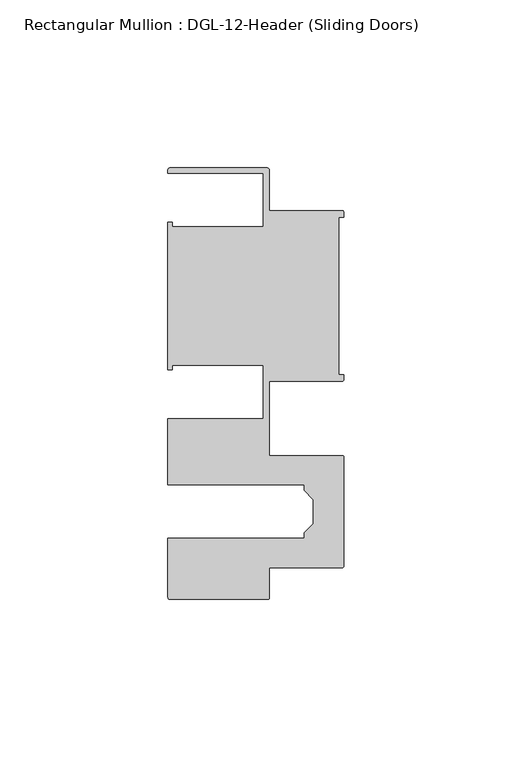
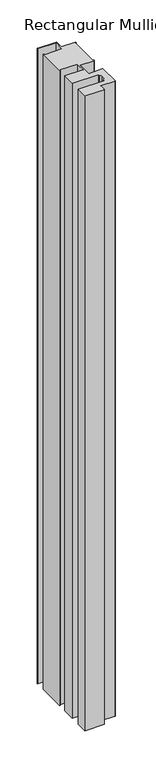
"""IFC4 building model written with IfcOpenShell, lengths in millimetres: member geometry, Rectangular Mullion : DGL-12-Header (Sliding Doors)."""

from ifc_helpers import new_model, si_unit, point, frame, frame_2d, origin, place, context, project, spatial, polyline, circle_curve, trimmed, segment, composite_curve, outline, extrude, source, transform, mapped, element, save


def rectangular_mullion_dgl_12_header_sliding_doors_6e077b21(model_context):
    return source(origin(), model_context, "Body", "SweptSolid", [
        extrude(outline(composite_curve([segment(trimmed(circle_curve(frame_2d((-0.5953125, 24.8046875)), 0.5953125), [point((-0.5953125, 25.4))], [point((0.0, 24.8046875))], False, "CARTESIAN"), True, "CONTINUOUS"), segment(polyline([(0.0, 24.8046875), (0.0, 23.488176), (-1.5001875, 23.488176), (-1.5001875, -23.488176), (0.0, -23.488176), (0.0, -24.8046875)]), True, "CONTINUOUS"), segment(trimmed(circle_curve(frame_2d((-0.5953125, -24.8046875)), 0.5953125), [point((0.0, -24.8046875))], [point((-0.5953125, -25.4))], False, "CARTESIAN"), True, "CONTINUOUS"), segment(polyline([(-0.5953125, -25.4), (-22.2332898, -25.4), (-22.2332898, -47.513352), (-0.60357, -47.513352)]), True, "CONTINUOUS"), segment(trimmed(circle_curve(frame_2d((-0.60357, -48.1086645)), 0.5953125), [point((-0.60357, -47.513352))], [point((-0.0082575, -48.1086645))], False, "CARTESIAN"), True, "CONTINUOUS"), segment(polyline([(-0.0082575, -48.1086645), (-0.0082575, -80.2801715)]), True, "CONTINUOUS"), segment(trimmed(circle_curve(frame_2d((-0.60357, -80.2801715)), 0.5953125), [point((-0.0082575, -80.2801715))], [point((-0.60357, -80.875484))], False, "CARTESIAN"), True, "CONTINUOUS"), segment(polyline([(-0.60357, -80.875484), (-22.2032575, -80.875484), (-22.2032575, -89.7299227)]), True, "CONTINUOUS"), segment(trimmed(circle_curve(frame_2d((-22.79857, -89.7299227)), 0.5953125), [point((-22.2032575, -89.7299227))], [point((-22.79857, -90.3252352))], False, "CARTESIAN"), True, "CONTINUOUS"), segment(polyline([(-22.79857, -90.3252352), (-51.7968699, -90.3252352)]), True, "CONTINUOUS"), segment(trimmed(circle_curve(frame_2d((-51.7968699, -89.7299227)), 0.5953125), [point((-51.7968699, -90.3252352))], [point((-52.3921824, -89.7299227))], False, "CARTESIAN"), True, "CONTINUOUS"), segment(polyline([(-52.3921824, -89.7299227), (-52.3921824, -72.175484), (-11.8582575, -72.175484), (-11.8582575, -70.4941892), (-9.1582575, -67.7941892), (-9.1582575, -60.5946468), (-11.8582575, -57.8946468), (-11.8582575, -56.213352), (-52.3921824, -56.213352), (-52.3921824, -36.512516), (-24.0747898, -36.512516), (-24.0747898, -20.5916734), (-51.1362531, -20.5916734), (-51.1362531, -21.9710976), (-52.3921824, -21.9710976), (-52.3921824, 21.9710976), (-51.1362531, 21.9710976), (-51.1362531, 20.5916734), (-24.0747898, 20.5916734), (-24.0747898, 36.512516), (-52.3921824, 36.512516), (-52.3921824, 37.5043667)]), True, "CONTINUOUS"), segment(trimmed(circle_curve(frame_2d((-51.7968699, 37.5043667)), 0.5953125), [point((-52.3921824, 37.5043667))], [point((-51.7968699, 38.0996792))], False, "CARTESIAN"), True, "CONTINUOUS"), segment(polyline([(-51.7968699, 38.0996792), (-22.8286023, 38.0996792)]), True, "CONTINUOUS"), segment(trimmed(circle_curve(frame_2d((-22.8286023, 37.5043667)), 0.5953125), [point((-22.8286023, 38.0996792))], [point((-22.2332898, 37.5043667))], False, "CARTESIAN"), True, "CONTINUOUS"), segment(polyline([(-22.2332898, 37.5043667), (-22.2332898, 25.4), (-0.5953125, 25.4)]), True, "CONTINUOUS")], self_intersect=False)), frame((0.0, 0.0, -1041.4), z_axis=(0.0, 0.0, 1.0), x_axis=(1.0, 0.0, 0.0)), (0.0, 0.0, 1.0), 1041.4),
    ])


if __name__ == "__main__":
    model = new_model("IFC4")
    model_context = context("Model", 3, world=origin())
    ifc_project = project(units=[si_unit("LENGTHUNIT", "METRE", prefix="MILLI")], contexts=[model_context])
    site = spatial("IfcSite", under=ifc_project)
    building = spatial("IfcBuilding", under=site)
    placement = place(None, origin())
    rectangular_mullion_dgl_12_header_sliding_doors_shape = rectangular_mullion_dgl_12_header_sliding_doors_6e077b21(model_context)
    element("IfcMember", 1, ObjectType="Rectangular Mullion : DGL-12-Header (Sliding Doors)", at=placement, inside=building, context=model_context, shape_type="MappedRepresentation", body=[
        mapped(rectangular_mullion_dgl_12_header_sliding_doors_shape, transform((0.0, 0.0, 0.0), x_axis=(1.0, 0.0, 0.0), y_axis=(0.0, 1.0, 0.0), z_axis=(0.0, 0.0, 1.0))),
    ])
    save(model, "model.ifc")
